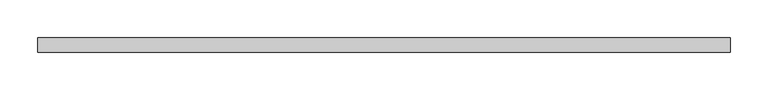
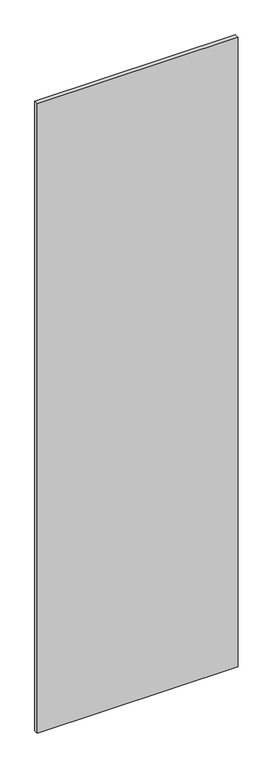
"""IFC4 building model written with IfcOpenShell, lengths in millimetres: proxy geometry."""

from ifc_helpers import new_model, si_unit, frame, origin, place, context, project, spatial, polyline, outline, extrude, source, transform, mapped, element, save


def specialty_equipment_4a00ab39(model_context):
    return source(origin(), model_context, "Body", "SweptSolid", [
        extrude(outline(polyline([(455.3204, 9.525), (455.3204, -9.525), (-455.3204, -9.525), (-455.3204, 9.525), (455.3204, 9.525)])), frame((0.0, 0.0, 3.175), z_axis=(0.0, 0.0, 1.0), x_axis=(1.0, 0.0, 0.0)), (0.0, 0.0, 1.0), 3013.075),
    ])


if __name__ == "__main__":
    model = new_model("IFC4")
    model_context = context("Model", 3, world=origin())
    ifc_project = project(units=[si_unit("LENGTHUNIT", "METRE", prefix="MILLI")], contexts=[model_context])
    site = spatial("IfcSite", under=ifc_project)
    building = spatial("IfcBuilding", under=site)
    placement = place(None, origin())
    specialty_equipment_shape = specialty_equipment_4a00ab39(model_context)
    element("IfcBuildingElementProxy", 1, Name="Specialty Equipment", at=placement, inside=building, context=model_context, shape_type="MappedRepresentation", body=[
        mapped(specialty_equipment_shape, transform((0.0, 0.0, 0.0), x_axis=(1.0, 0.0, 0.0), y_axis=(0.0, 1.0, 0.0), z_axis=(0.0, 0.0, 1.0))),
    ])
    save(model, "model.ifc")
